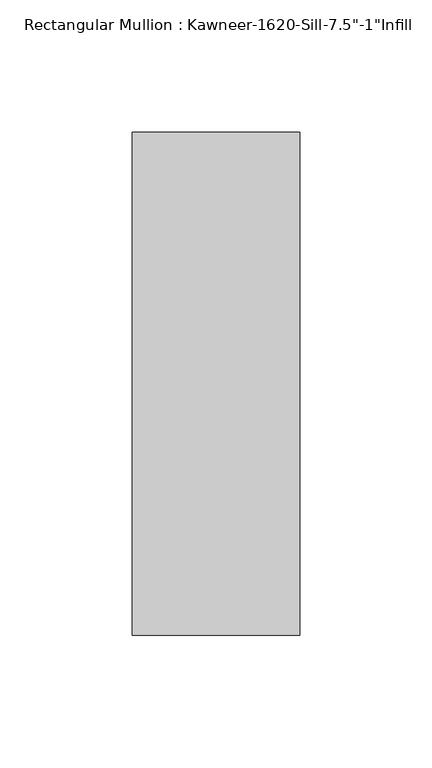
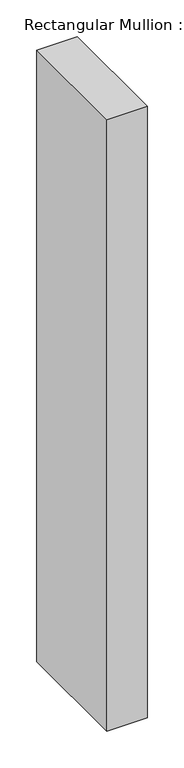
"""IFC4 building model written with IfcOpenShell, lengths in millimetres: member geometry."""

import ifcopenshell
import ifcopenshell.guid

model = None  # the IFC model being written
_history = None  # IfcOwnerHistory: only IFC2X3 demands one
_inside = {}  # id of a spatial element -> (the spatial element, [elements in it])
_under = {}  # id of a project, library or spatial element -> (it, [spatial elements below it])
_declared = {}  # id of a project -> (the project, [libraries it declares])
_typed = {}  # id of a type object -> (the type object, [elements of that type])
_made_of = {}  # id of a material, layer set ... -> (it, [elements and type objects made of it])


def new_model(schema):
    """Start an empty IFC model of exactly this schema.

    Asked for "IFC4X3", IfcOpenShell would pick the latest addendum, in which some entities
    have other attributes; the version numbers below select the first issue.
    IFC2X3 requires an IfcOwnerHistory on every rooted entity: one is made here for all.
    """
    global model, _history
    if schema == "IFC4X3":
        model = ifcopenshell.file(schema_version=(4, 3, 0, 0))
    else:
        model = ifcopenshell.file(schema=schema)
    _inside.clear()
    _under.clear()
    _declared.clear()
    _typed.clear()
    _made_of.clear()
    _history = None
    if model.schema == "IFC2X3":
        org = make("IfcOrganization", Name="unknown")
        user = make(
            "IfcPersonAndOrganization",
            ThePerson=make("IfcPerson", FamilyName="unknown"),
            TheOrganization=org,
        )
        app = make(
            "IfcApplication",
            ApplicationDeveloper=org,
            Version="unknown",
            ApplicationFullName="unknown",
            ApplicationIdentifier="unknown",
        )
        _history = make(
            "IfcOwnerHistory",
            OwningUser=user,
            OwningApplication=app,
            ChangeAction="ADDED",
            CreationDate=0,
        )
    return model


def make(cls, **values):
    """One entity of the class cls with the attributes given. An attribute that is None is left unset."""
    return model.create_entity(
        cls, **{name: value for name, value in values.items() if value is not None}
    )


def rooted(cls, **values):
    """An entity with a GlobalId (a new one), such as an element, a storey or a relation."""
    return make(cls, GlobalId=ifcopenshell.guid.new(), OwnerHistory=_history, **values)


def si_unit(unit_type, name, prefix=None):
    """IfcSIUnit, for example si_unit("LENGTHUNIT", "METRE", prefix="MILLI")."""
    return make("IfcSIUnit", UnitType=unit_type, Prefix=prefix, Name=name)


def assignment(units):
    """IfcUnitAssignment: the units of a project."""
    return None if units is None else make("IfcUnitAssignment", Units=units)


def point(xyz):
    """IfcCartesianPoint."""
    return None if xyz is None else make("IfcCartesianPoint", Coordinates=xyz)


def direction(xyz):
    """IfcDirection."""
    return None if xyz is None else make("IfcDirection", DirectionRatios=xyz)


def frame(location, z_axis=None, x_axis=None):
    """IfcAxis2Placement3D, a coordinate frame: its origin and axes. An axis left out is left unset."""
    return make(
        "IfcAxis2Placement3D",
        Location=point(location),
        Axis=direction(z_axis),
        RefDirection=direction(x_axis),
    )


def origin():
    """The frame at (0, 0, 0) with its axes left unset."""
    return frame((0.0, 0.0, 0.0))


def place(relative_to, where):
    """IfcLocalPlacement: puts the frame where relative to a parent placement (None: the world)."""
    return make(
        "IfcLocalPlacement", PlacementRelTo=relative_to, RelativePlacement=where
    )


def context(
    kind, dimensions, precision=None, world=None, true_north=None, identifier=None
):
    """IfcGeometricRepresentationContext, for example the 3D "Model" context."""
    return make(
        "IfcGeometricRepresentationContext",
        ContextIdentifier=identifier,
        ContextType=kind,
        CoordinateSpaceDimension=dimensions,
        Precision=precision,
        WorldCoordinateSystem=world,
        TrueNorth=true_north,
    )


def project(units=None, contexts=None):
    """IfcProject with its units and contexts."""
    return rooted(
        "IfcProject",
        Name="project",
        RepresentationContexts=contexts,
        UnitsInContext=assignment(units),
    )


def spatial(cls, under=None, at=None, **own):
    """A site, building, storey or space (cls), placed at a placement, below another one or the project."""
    s = rooted(cls, ObjectPlacement=at, **own)
    if under is not None:
        _under.setdefault(under.id(), (under, []))[1].append(s)
    return s


def polyline(points):
    """IfcPolyline through the points."""
    return make("IfcPolyline", Points=[point(p) for p in points])


def outline(outer, holes=None, kind="AREA"):
    """IfcArbitraryClosedProfileDef: a profile drawn as a closed curve; with holes, ...WithVoids."""
    if holes is None:
        return make("IfcArbitraryClosedProfileDef", ProfileType=kind, OuterCurve=outer)
    return make(
        "IfcArbitraryProfileDefWithVoids",
        ProfileType=kind,
        OuterCurve=outer,
        InnerCurves=holes,
    )


def extrude(swept, where, along, depth):
    """IfcExtrudedAreaSolid: the profile swept, set in the frame where, extruded along a direction by depth."""
    return make(
        "IfcExtrudedAreaSolid",
        SweptArea=swept,
        Position=where,
        ExtrudedDirection=direction(along),
        Depth=depth,
    )


def shape(context_of_items, identifier, shape_type, items):
    """IfcShapeRepresentation: the items that make up one representation, for example the "Body"."""
    return make(
        "IfcShapeRepresentation",
        ContextOfItems=context_of_items,
        RepresentationIdentifier=identifier,
        RepresentationType=shape_type,
        Items=items,
    )


def source(mapping_origin, context_of_items, identifier, shape_type, items):
    """IfcRepresentationMap: a shape defined once, which mapped items show again and again."""
    return make(
        "IfcRepresentationMap",
        MappingOrigin=mapping_origin,
        MappedRepresentation=shape(context_of_items, identifier, shape_type, items),
    )


def transform(
    local_origin,
    x_axis=None,
    y_axis=None,
    z_axis=None,
    scale=None,
    scale2=None,
    scale3=None,
    uniform=True,
):
    """IfcCartesianTransformationOperator3D, or its non-uniform kind. x_axis, y_axis, z_axis: its Axis1, 2, 3."""
    if uniform:
        return make(
            "IfcCartesianTransformationOperator3D",
            Axis1=direction(x_axis),
            Axis2=direction(y_axis),
            LocalOrigin=point(local_origin),
            Scale=scale,
            Axis3=direction(z_axis),
        )
    return make(
        "IfcCartesianTransformationOperator3DnonUniform",
        Axis1=direction(x_axis),
        Axis2=direction(y_axis),
        LocalOrigin=point(local_origin),
        Scale=scale,
        Axis3=direction(z_axis),
        Scale2=scale2,
        Scale3=scale3,
    )


def mapped(mapping_source, mapping_target):
    """IfcMappedItem: shows the shape of a source again, moved by a transform."""
    return make(
        "IfcMappedItem", MappingSource=mapping_source, MappingTarget=mapping_target
    )


def made_of(thing, what):
    """Note that an element or type object is made of a material, layer set ...; save() writes the relation."""
    if what is not None:
        _made_of.setdefault(what.id(), (what, []))[1].append(thing)
    return thing


def element(
    cls,
    number,
    at=None,
    inside=None,
    cuts=None,
    type_object=None,
    material=None,
    context=None,
    identifier="Body",
    shape_type=None,
    held_by="IfcProductDefinitionShape",
    body=None,
    shapes=None,
    **own,
):
    """One element of the class cls, such as IfcWall. Its Tag is "e" and its number.

    at: its placement. inside: the storey or other place that contains it. cuts: it is an
    opening in that element (IfcRelVoidsElement). A single representation is given by context,
    identifier, shape_type and body (its items); several are given by shapes. held_by: the class
    of the entity that holds the representations. save() writes the other relations.
    """
    e = rooted(cls, Tag="e%d" % number, ObjectPlacement=at, **own)
    if body is not None:
        shapes = [shape(context, identifier, shape_type, body)]
    if shapes is not None:
        e.Representation = make(held_by, Representations=shapes)
    if inside is not None:
        _inside.setdefault(inside.id(), (inside, []))[1].append(e)
    if cuts is not None:
        rooted(
            "IfcRelVoidsElement", RelatingBuildingElement=cuts, RelatedOpeningElement=e
        )
    if type_object is not None:
        _typed.setdefault(type_object.id(), (type_object, []))[1].append(e)
    return made_of(e, material)


def aggregate(whole, parts):
    """IfcRelAggregates: a whole, such as a stair, and the parts it consists of."""
    return rooted("IfcRelAggregates", RelatingObject=whole, RelatedObjects=parts)


def save(model, path):
    """Write the relations noted so far, then the file.

    IfcRelAggregates (storeys below a building ...), IfcRelContainedInSpatialStructure (elements
    in a storey), IfcRelDefinesByType, IfcRelAssociatesMaterial and IfcRelDeclares: one each for
    every whole, place, type object, material and project.
    """
    for whole, parts in _under.values():
        aggregate(whole, parts)
    for where, things in _inside.values():
        rooted(
            "IfcRelContainedInSpatialStructure",
            RelatedElements=things,
            RelatingStructure=where,
        )
    for kind, things in _typed.values():
        rooted("IfcRelDefinesByType", RelatedObjects=things, RelatingType=kind)
    for what, things in _made_of.values():
        rooted("IfcRelAssociatesMaterial", RelatedObjects=things, RelatingMaterial=what)
    for by, libraries in _declared.values():
        rooted("IfcRelDeclares", RelatingContext=by, RelatedDefinitions=libraries)
    model.write(path)


def member_2eeaa479(model_context):
    return source(origin(), model_context, "Body", "SweptSolid", [
        extrude(outline(polyline([(-63.5, -38.1), (-63.5, 152.4), (0.0, 152.4), (0.0, -38.1), (-63.5, -38.1)])), frame((0.0, 0.0, -1016.0), z_axis=(0.0, 0.0, 1.0), x_axis=(1.0, 0.0, 0.0)), (0.0, 0.0, 1.0), 1016.0),
    ])


if __name__ == "__main__":
    model = new_model("IFC4")
    model_context = context("Model", 3, world=origin())
    ifc_project = project(units=[si_unit("LENGTHUNIT", "METRE", prefix="MILLI")], contexts=[model_context])
    site = spatial("IfcSite", under=ifc_project)
    building = spatial("IfcBuilding", under=site)
    placement = place(None, origin())
    member_shape = member_2eeaa479(model_context)
    element("IfcMember", 1, ObjectType="Rectangular Mullion : Kawneer-1620-Sill-7.5\"-1\"Infill", at=placement, inside=building, context=model_context, shape_type="MappedRepresentation", body=[
        mapped(member_shape, transform((0.0, 0.0, 0.0), x_axis=(1.0, 0.0, 0.0), y_axis=(0.0, 1.0, 0.0), z_axis=(0.0, 0.0, 1.0))),
    ])
    save(model, "model.ifc")
